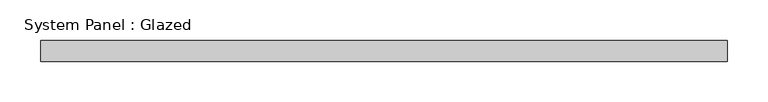
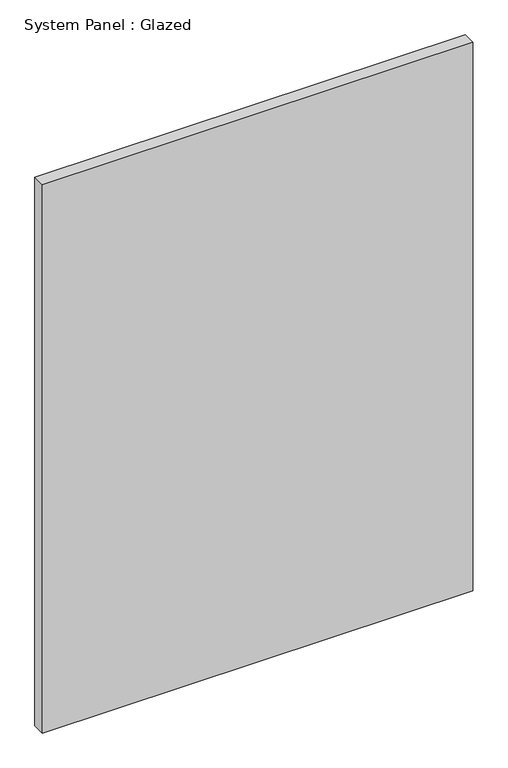
"""IFC4 building model written with IfcOpenShell, lengths in millimetres: plate geometry, System Panel : Glazed."""

from ifc_helpers import new_model, si_unit, origin, origin_with_axes, place, context, project, spatial, polyline, outline, extrude, source, transform, mapped, element, save


def system_panel_glazed_225a3751(model_context):
    return source(origin(), model_context, "Body", "SweptSolid", [
        extrude(outline(polyline([(420.6413418, 19.05), (-420.6413418, 19.05), (-420.6413418, 44.45), (420.6413418, 44.45), (420.6413418, 19.05)])), origin_with_axes(), (0.0, 0.0, 1.0), 1133.4701083),
    ])


if __name__ == "__main__":
    model = new_model("IFC4")
    model_context = context("Model", 3, world=origin())
    ifc_project = project(units=[si_unit("LENGTHUNIT", "METRE", prefix="MILLI")], contexts=[model_context])
    site = spatial("IfcSite", under=ifc_project)
    building = spatial("IfcBuilding", under=site)
    placement = place(None, origin())
    system_panel_glazed_shape = system_panel_glazed_225a3751(model_context)
    element("IfcPlate", 1, ObjectType="System Panel : Glazed", at=placement, inside=building, context=model_context, shape_type="MappedRepresentation", body=[
        mapped(system_panel_glazed_shape, transform((0.0, 0.0, 0.0), x_axis=(1.0, 0.0, 0.0), y_axis=(0.0, 1.0, 0.0), z_axis=(0.0, 0.0, 1.0))),
    ])
    save(model, "model.ifc")
